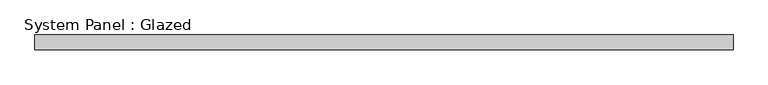
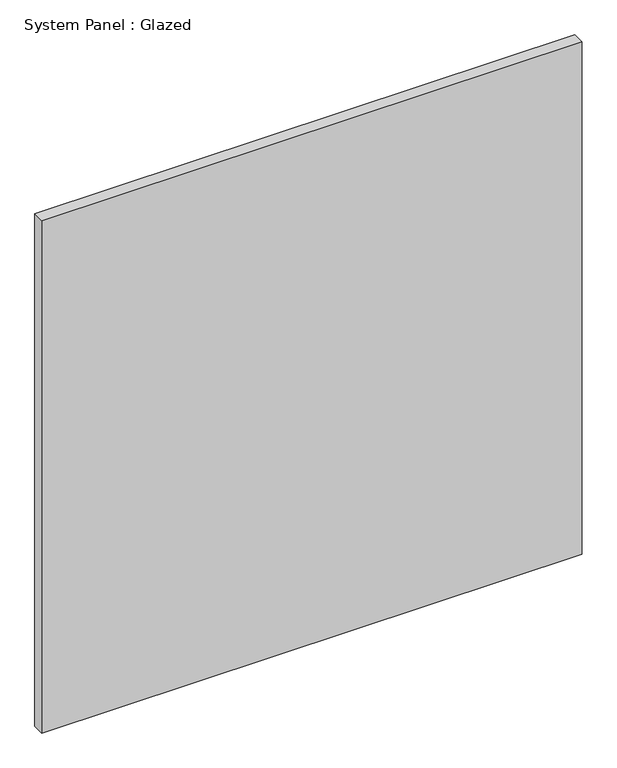
"""IFC4 building model written with IfcOpenShell, lengths in millimetres: plate geometry, System Panel : Glazed."""

import ifcopenshell
import ifcopenshell.guid

model = None  # the IFC model being written
_history = None  # IfcOwnerHistory: only IFC2X3 demands one
_inside = {}  # id of a spatial element -> (the spatial element, [elements in it])
_under = {}  # id of a project, library or spatial element -> (it, [spatial elements below it])
_declared = {}  # id of a project -> (the project, [libraries it declares])
_typed = {}  # id of a type object -> (the type object, [elements of that type])
_made_of = {}  # id of a material, layer set ... -> (it, [elements and type objects made of it])


def new_model(schema):
    """Start an empty IFC model of exactly this schema.

    Asked for "IFC4X3", IfcOpenShell would pick the latest addendum, in which some entities
    have other attributes; the version numbers below select the first issue.
    IFC2X3 requires an IfcOwnerHistory on every rooted entity: one is made here for all.
    """
    global model, _history
    if schema == "IFC4X3":
        model = ifcopenshell.file(schema_version=(4, 3, 0, 0))
    else:
        model = ifcopenshell.file(schema=schema)
    _inside.clear()
    _under.clear()
    _declared.clear()
    _typed.clear()
    _made_of.clear()
    _history = None
    if model.schema == "IFC2X3":
        org = make("IfcOrganization", Name="unknown")
        user = make(
            "IfcPersonAndOrganization",
            ThePerson=make("IfcPerson", FamilyName="unknown"),
            TheOrganization=org,
        )
        app = make(
            "IfcApplication",
            ApplicationDeveloper=org,
            Version="unknown",
            ApplicationFullName="unknown",
            ApplicationIdentifier="unknown",
        )
        _history = make(
            "IfcOwnerHistory",
            OwningUser=user,
            OwningApplication=app,
            ChangeAction="ADDED",
            CreationDate=0,
        )
    return model


def make(cls, **values):
    """One entity of the class cls with the attributes given. An attribute that is None is left unset."""
    return model.create_entity(
        cls, **{name: value for name, value in values.items() if value is not None}
    )


def rooted(cls, **values):
    """An entity with a GlobalId (a new one), such as an element, a storey or a relation."""
    return make(cls, GlobalId=ifcopenshell.guid.new(), OwnerHistory=_history, **values)


def si_unit(unit_type, name, prefix=None):
    """IfcSIUnit, for example si_unit("LENGTHUNIT", "METRE", prefix="MILLI")."""
    return make("IfcSIUnit", UnitType=unit_type, Prefix=prefix, Name=name)


def assignment(units):
    """IfcUnitAssignment: the units of a project."""
    return None if units is None else make("IfcUnitAssignment", Units=units)


def point(xyz):
    """IfcCartesianPoint."""
    return None if xyz is None else make("IfcCartesianPoint", Coordinates=xyz)


def direction(xyz):
    """IfcDirection."""
    return None if xyz is None else make("IfcDirection", DirectionRatios=xyz)


def frame(location, z_axis=None, x_axis=None):
    """IfcAxis2Placement3D, a coordinate frame: its origin and axes. An axis left out is left unset."""
    return make(
        "IfcAxis2Placement3D",
        Location=point(location),
        Axis=direction(z_axis),
        RefDirection=direction(x_axis),
    )


def origin():
    """The frame at (0, 0, 0) with its axes left unset."""
    return frame((0.0, 0.0, 0.0))


def origin_with_axes():
    """The frame at (0, 0, 0) with the z axis (0, 0, 1) and the x axis (1, 0, 0) written out."""
    return frame((0.0, 0.0, 0.0), z_axis=(0.0, 0.0, 1.0), x_axis=(1.0, 0.0, 0.0))


def place(relative_to, where):
    """IfcLocalPlacement: puts the frame where relative to a parent placement (None: the world)."""
    return make(
        "IfcLocalPlacement", PlacementRelTo=relative_to, RelativePlacement=where
    )


def context(
    kind, dimensions, precision=None, world=None, true_north=None, identifier=None
):
    """IfcGeometricRepresentationContext, for example the 3D "Model" context."""
    return make(
        "IfcGeometricRepresentationContext",
        ContextIdentifier=identifier,
        ContextType=kind,
        CoordinateSpaceDimension=dimensions,
        Precision=precision,
        WorldCoordinateSystem=world,
        TrueNorth=true_north,
    )


def project(units=None, contexts=None):
    """IfcProject with its units and contexts."""
    return rooted(
        "IfcProject",
        Name="project",
        RepresentationContexts=contexts,
        UnitsInContext=assignment(units),
    )


def spatial(cls, under=None, at=None, **own):
    """A site, building, storey or space (cls), placed at a placement, below another one or the project."""
    s = rooted(cls, ObjectPlacement=at, **own)
    if under is not None:
        _under.setdefault(under.id(), (under, []))[1].append(s)
    return s


def polyline(points):
    """IfcPolyline through the points."""
    return make("IfcPolyline", Points=[point(p) for p in points])


def outline(outer, holes=None, kind="AREA"):
    """IfcArbitraryClosedProfileDef: a profile drawn as a closed curve; with holes, ...WithVoids."""
    if holes is None:
        return make("IfcArbitraryClosedProfileDef", ProfileType=kind, OuterCurve=outer)
    return make(
        "IfcArbitraryProfileDefWithVoids",
        ProfileType=kind,
        OuterCurve=outer,
        InnerCurves=holes,
    )


def extrude(swept, where, along, depth):
    """IfcExtrudedAreaSolid: the profile swept, set in the frame where, extruded along a direction by depth."""
    return make(
        "IfcExtrudedAreaSolid",
        SweptArea=swept,
        Position=where,
        ExtrudedDirection=direction(along),
        Depth=depth,
    )


def shape(context_of_items, identifier, shape_type, items):
    """IfcShapeRepresentation: the items that make up one representation, for example the "Body"."""
    return make(
        "IfcShapeRepresentation",
        ContextOfItems=context_of_items,
        RepresentationIdentifier=identifier,
        RepresentationType=shape_type,
        Items=items,
    )


def source(mapping_origin, context_of_items, identifier, shape_type, items):
    """IfcRepresentationMap: a shape defined once, which mapped items show again and again."""
    return make(
        "IfcRepresentationMap",
        MappingOrigin=mapping_origin,
        MappedRepresentation=shape(context_of_items, identifier, shape_type, items),
    )


def transform(
    local_origin,
    x_axis=None,
    y_axis=None,
    z_axis=None,
    scale=None,
    scale2=None,
    scale3=None,
    uniform=True,
):
    """IfcCartesianTransformationOperator3D, or its non-uniform kind. x_axis, y_axis, z_axis: its Axis1, 2, 3."""
    if uniform:
        return make(
            "IfcCartesianTransformationOperator3D",
            Axis1=direction(x_axis),
            Axis2=direction(y_axis),
            LocalOrigin=point(local_origin),
            Scale=scale,
            Axis3=direction(z_axis),
        )
    return make(
        "IfcCartesianTransformationOperator3DnonUniform",
        Axis1=direction(x_axis),
        Axis2=direction(y_axis),
        LocalOrigin=point(local_origin),
        Scale=scale,
        Axis3=direction(z_axis),
        Scale2=scale2,
        Scale3=scale3,
    )


def mapped(mapping_source, mapping_target):
    """IfcMappedItem: shows the shape of a source again, moved by a transform."""
    return make(
        "IfcMappedItem", MappingSource=mapping_source, MappingTarget=mapping_target
    )


def made_of(thing, what):
    """Note that an element or type object is made of a material, layer set ...; save() writes the relation."""
    if what is not None:
        _made_of.setdefault(what.id(), (what, []))[1].append(thing)
    return thing


def element(
    cls,
    number,
    at=None,
    inside=None,
    cuts=None,
    type_object=None,
    material=None,
    context=None,
    identifier="Body",
    shape_type=None,
    held_by="IfcProductDefinitionShape",
    body=None,
    shapes=None,
    **own,
):
    """One element of the class cls, such as IfcWall. Its Tag is "e" and its number.

    at: its placement. inside: the storey or other place that contains it. cuts: it is an
    opening in that element (IfcRelVoidsElement). A single representation is given by context,
    identifier, shape_type and body (its items); several are given by shapes. held_by: the class
    of the entity that holds the representations. save() writes the other relations.
    """
    e = rooted(cls, Tag="e%d" % number, ObjectPlacement=at, **own)
    if body is not None:
        shapes = [shape(context, identifier, shape_type, body)]
    if shapes is not None:
        e.Representation = make(held_by, Representations=shapes)
    if inside is not None:
        _inside.setdefault(inside.id(), (inside, []))[1].append(e)
    if cuts is not None:
        rooted(
            "IfcRelVoidsElement", RelatingBuildingElement=cuts, RelatedOpeningElement=e
        )
    if type_object is not None:
        _typed.setdefault(type_object.id(), (type_object, []))[1].append(e)
    return made_of(e, material)


def aggregate(whole, parts):
    """IfcRelAggregates: a whole, such as a stair, and the parts it consists of."""
    return rooted("IfcRelAggregates", RelatingObject=whole, RelatedObjects=parts)


def save(model, path):
    """Write the relations noted so far, then the file.

    IfcRelAggregates (storeys below a building ...), IfcRelContainedInSpatialStructure (elements
    in a storey), IfcRelDefinesByType, IfcRelAssociatesMaterial and IfcRelDeclares: one each for
    every whole, place, type object, material and project.
    """
    for whole, parts in _under.values():
        aggregate(whole, parts)
    for where, things in _inside.values():
        rooted(
            "IfcRelContainedInSpatialStructure",
            RelatedElements=things,
            RelatingStructure=where,
        )
    for kind, things in _typed.values():
        rooted("IfcRelDefinesByType", RelatedObjects=things, RelatingType=kind)
    for what, things in _made_of.values():
        rooted("IfcRelAssociatesMaterial", RelatedObjects=things, RelatingMaterial=what)
    for by, libraries in _declared.values():
        rooted("IfcRelDeclares", RelatingContext=by, RelatedDefinitions=libraries)
    model.write(path)


def system_panel_glazed_76ba93e1(model_context):
    return source(origin(), model_context, "Body", "SweptSolid", [
        extrude(outline(polyline([(593.3694, -12.7), (-593.3694, -12.7), (-593.3694, 12.7), (593.3694, 12.7), (593.3694, -12.7)])), origin_with_axes(), (0.0, 0.0, 1.0), 1189.6598),
    ])


if __name__ == "__main__":
    model = new_model("IFC4")
    model_context = context("Model", 3, world=origin())
    ifc_project = project(units=[si_unit("LENGTHUNIT", "METRE", prefix="MILLI")], contexts=[model_context])
    site = spatial("IfcSite", under=ifc_project)
    building = spatial("IfcBuilding", under=site)
    placement = place(None, origin())
    system_panel_glazed_shape = system_panel_glazed_76ba93e1(model_context)
    element("IfcPlate", 1, ObjectType="System Panel : Glazed", at=placement, inside=building, context=model_context, shape_type="MappedRepresentation", body=[
        mapped(system_panel_glazed_shape, transform((0.0, 0.0, 0.0), x_axis=(1.0, 0.0, 0.0), y_axis=(0.0, 1.0, 0.0), z_axis=(0.0, 0.0, 1.0))),
    ])
    save(model, "model.ifc")
